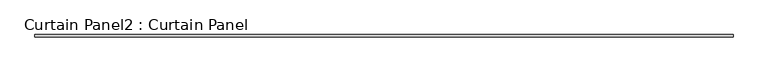
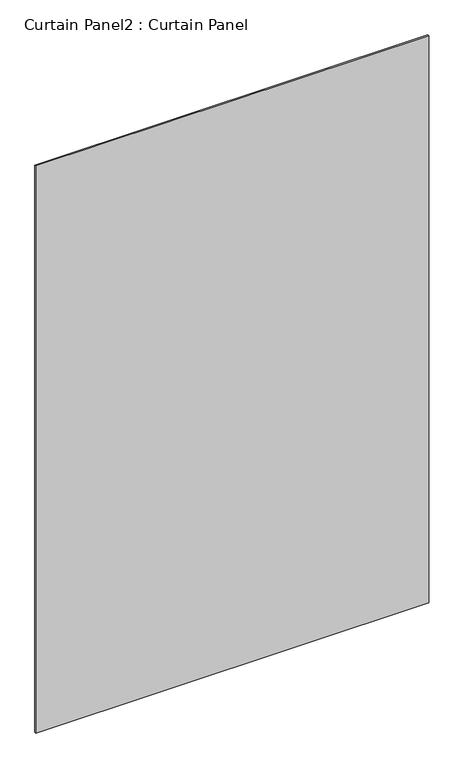
"""IFC4 building model written with IfcOpenShell, lengths in millimetres: plate geometry, Curtain Panel2 : Curtain Panel."""

from ifc_helpers import new_model, si_unit, origin, origin_with_axes, place, context, project, spatial, polyline, outline, extrude, source, transform, mapped, element, save


def curtain_panel2_curtain_panel_a049956f(model_context):
    return source(origin(), model_context, "Body", "SweptSolid", [
        extrude(outline(polyline([(-150829.3631507, -8938.0927648), (-148832.1771181, -8938.0927648), (-148832.1771181, -8944.4427648), (-150829.3631507, -8944.4427648), (-150829.3631507, -8938.0927648)])), origin_with_axes(), (0.0, 0.0, 1.0), 3048.0),
    ])


if __name__ == "__main__":
    model = new_model("IFC4")
    model_context = context("Model", 3, world=origin())
    ifc_project = project(units=[si_unit("LENGTHUNIT", "METRE", prefix="MILLI")], contexts=[model_context])
    site = spatial("IfcSite", under=ifc_project)
    building = spatial("IfcBuilding", under=site)
    placement = place(None, origin())
    curtain_panel2_curtain_panel_shape = curtain_panel2_curtain_panel_a049956f(model_context)
    element("IfcPlate", 1, ObjectType="Curtain Panel2 : Curtain Panel", at=placement, inside=building, context=model_context, shape_type="MappedRepresentation", body=[
        mapped(curtain_panel2_curtain_panel_shape, transform((0.0, 0.0, 0.0), x_axis=(1.0, 0.0, 0.0), y_axis=(0.0, 1.0, 0.0), z_axis=(0.0, 0.0, 1.0))),
    ])
    save(model, "model.ifc")
